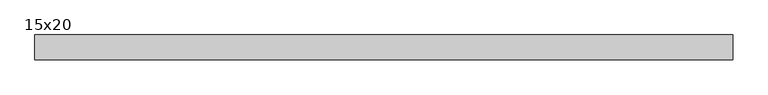
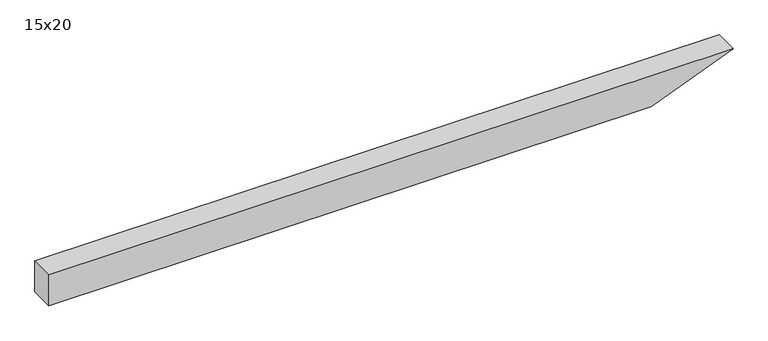
"""IFC4 building model written with IfcOpenShell, lengths in millimetres: beam geometry, 15x20."""

from ifc_helpers import new_model, si_unit, frame, origin, place, context, project, spatial, polyline, outline, extrude, source, transform, mapped, element, save


def beam_15x20_caa742ec(model_context):
    return source(origin(), model_context, "Body", "SweptSolid", [
        extrude(outline(polyline([(100.0, -2130.0), (-100.0, -2130.0), (-100.0, 1577.8), (100.0, 2080.0), (100.0, -2130.0)])), frame((0.0, -75.0, 0.0), z_axis=(0.0, 1.0, 0.0), x_axis=(0.0, 0.0, 1.0)), (0.0, 0.0, 1.0), 150.0),
    ])


if __name__ == "__main__":
    model = new_model("IFC4")
    model_context = context("Model", 3, world=origin())
    ifc_project = project(units=[si_unit("LENGTHUNIT", "METRE", prefix="MILLI")], contexts=[model_context])
    site = spatial("IfcSite", under=ifc_project)
    building = spatial("IfcBuilding", under=site)
    placement = place(None, origin())
    beam_15x20_shape = beam_15x20_caa742ec(model_context)
    element("IfcBeam", 1, ObjectType="15x20", at=placement, inside=building, context=model_context, shape_type="MappedRepresentation", body=[
        mapped(beam_15x20_shape, transform((0.0, 0.0, 0.0), x_axis=(1.0, 0.0, 0.0), y_axis=(0.0, 1.0, 0.0), z_axis=(0.0, 0.0, 1.0))),
    ])
    save(model, "model.ifc")
